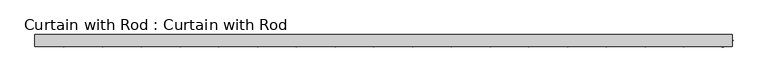
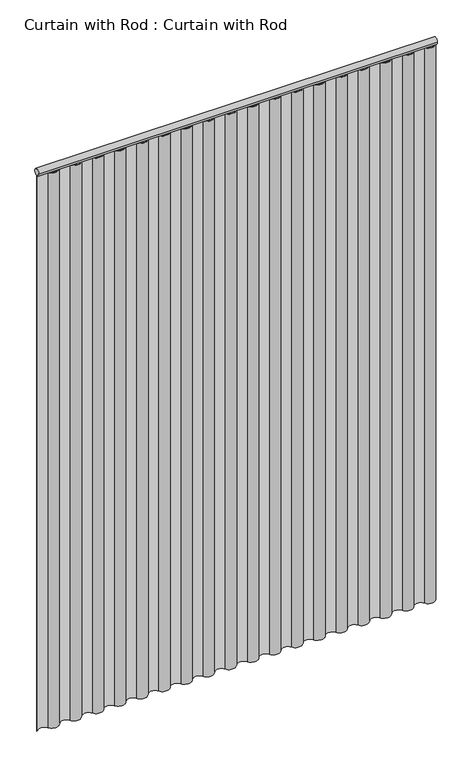
"""IFC4 building model written with IfcOpenShell, lengths in millimetres: proxy geometry, Curtain with Rod : Curtain with Rod."""

from ifc_helpers import new_model, si_unit, point, frame, frame_2d, origin, origin_with_axes, place, context, project, spatial, polyline, circle_curve, trimmed, segment, composite_curve, outline, extrude, source, transform, mapped, element, save


def curtain_with_rod_curtain_with_rod_41e4afb1(model_context):
    return source(origin(), model_context, "Body", "SweptSolid", [
        extrude(outline(composite_curve([segment(trimmed(circle_curve(frame_2d((0.0, 2171.7)), 12.7), [point((-12.7, 2171.7))], [point((12.7, 2171.7))], False, "CARTESIAN"), True, "CONTINUOUS"), segment(trimmed(circle_curve(frame_2d((0.0, 2171.7)), 12.7), [point((12.7, 2171.7))], [point((-12.7, 2171.7))], False, "CARTESIAN"), True, "CONTINUOUS")], self_intersect=False)), frame((-732.63125, 0.0, 0.0), z_axis=(1.0, 0.0, 0.0), x_axis=(0.0, 1.0, 0.0)), (0.0, 0.0, 1.0), 1465.2625),
        extrude(outline(composite_curve([segment(trimmed(circle_curve(frame_2d((-671.5786458, 12.1734801)), 23.7139505), [point((-691.9295139, 0.0))], [point((-651.2277778, 0.0))], True, "CARTESIAN"), True, "CONTINUOUS"), segment(trimmed(circle_curve(frame_2d((-630.8769097, -12.1734801)), 23.7139505), [point((-651.2277778, 0.0))], [point((-610.5260417, 0.0))], False, "CARTESIAN"), True, "CONTINUOUS"), segment(trimmed(circle_curve(frame_2d((-590.1751736, 12.1734801)), 23.7139505), [point((-610.5260417, 0.0))], [point((-569.8243056, 0.0))], True, "CARTESIAN"), True, "CONTINUOUS"), segment(trimmed(circle_curve(frame_2d((-549.4734375, -12.1734801)), 23.7139505), [point((-569.8243056, 0.0))], [point((-529.1225694, 0.0))], False, "CARTESIAN"), True, "CONTINUOUS"), segment(trimmed(circle_curve(frame_2d((-508.7717014, 12.1734801)), 23.7139505), [point((-529.1225694, 0.0))], [point((-488.4208333, 0.0))], True, "CARTESIAN"), True, "CONTINUOUS"), segment(trimmed(circle_curve(frame_2d((-468.0699653, -12.1734801)), 23.7139505), [point((-488.4208333, 0.0))], [point((-447.7190972, 0.0))], False, "CARTESIAN"), True, "CONTINUOUS"), segment(trimmed(circle_curve(frame_2d((-427.3682292, 12.1734801)), 23.7139505), [point((-447.7190972, 0.0))], [point((-407.0173611, 0.0))], True, "CARTESIAN"), True, "CONTINUOUS"), segment(trimmed(circle_curve(frame_2d((-386.6664931, -12.1734801)), 23.7139505), [point((-407.0173611, 0.0))], [point((-366.315625, 0.0))], False, "CARTESIAN"), True, "CONTINUOUS"), segment(trimmed(circle_curve(frame_2d((-345.9647569, 12.1734801)), 23.7139505), [point((-366.315625, 0.0))], [point((-325.6138889, 0.0))], True, "CARTESIAN"), True, "CONTINUOUS"), segment(trimmed(circle_curve(frame_2d((-305.2630208, -12.1734801)), 23.7139505), [point((-325.6138889, 0.0))], [point((-284.9121528, 0.0))], False, "CARTESIAN"), True, "CONTINUOUS"), segment(trimmed(circle_curve(frame_2d((-264.5612847, 12.1734801)), 23.7139505), [point((-284.9121528, 0.0))], [point((-244.2104167, 0.0))], True, "CARTESIAN"), True, "CONTINUOUS"), segment(trimmed(circle_curve(frame_2d((-223.8595486, -12.1734801)), 23.7139505), [point((-244.2104167, 0.0))], [point((-203.5086806, 0.0))], False, "CARTESIAN"), True, "CONTINUOUS"), segment(trimmed(circle_curve(frame_2d((-183.1578125, 12.1734801)), 23.7139505), [point((-203.5086806, 0.0))], [point((-162.8069444, 0.0))], True, "CARTESIAN"), True, "CONTINUOUS"), segment(trimmed(circle_curve(frame_2d((-142.4560764, -12.1734801)), 23.7139505), [point((-162.8069444, 0.0))], [point((-122.1052083, 0.0))], False, "CARTESIAN"), True, "CONTINUOUS"), segment(trimmed(circle_curve(frame_2d((-101.7543403, 12.1734801)), 23.7139505), [point((-122.1052083, 0.0))], [point((-81.4034722, 0.0))], True, "CARTESIAN"), True, "CONTINUOUS"), segment(trimmed(circle_curve(frame_2d((-61.0526042, -12.1734801)), 23.7139505), [point((-81.4034722, 0.0))], [point((-40.7017361, 0.0))], False, "CARTESIAN"), True, "CONTINUOUS"), segment(trimmed(circle_curve(frame_2d((-20.3508681, 12.1734801)), 23.7139505), [point((-40.7017361, 0.0))], [point((0.0, 0.0))], True, "CARTESIAN"), True, "CONTINUOUS"), segment(trimmed(circle_curve(frame_2d((20.3508681, -12.1734801)), 23.7139505), [point((0.0, 0.0))], [point((40.7017361, 0.0))], False, "CARTESIAN"), True, "CONTINUOUS"), segment(trimmed(circle_curve(frame_2d((61.0526042, 12.1734801)), 23.7139505), [point((40.7017361, 0.0))], [point((81.4034722, 0.0))], True, "CARTESIAN"), True, "CONTINUOUS"), segment(trimmed(circle_curve(frame_2d((101.7543403, -12.1734801)), 23.7139505), [point((81.4034722, 0.0))], [point((122.1052083, 0.0))], False, "CARTESIAN"), True, "CONTINUOUS"), segment(trimmed(circle_curve(frame_2d((142.4560764, 12.1734801)), 23.7139505), [point((122.1052083, 0.0))], [point((162.8069444, 0.0))], True, "CARTESIAN"), True, "CONTINUOUS"), segment(trimmed(circle_curve(frame_2d((183.1578125, -12.1734801)), 23.7139505), [point((162.8069444, 0.0))], [point((203.5086806, 0.0))], False, "CARTESIAN"), True, "CONTINUOUS"), segment(trimmed(circle_curve(frame_2d((223.8595486, 12.1734801)), 23.7139505), [point((203.5086806, 0.0))], [point((244.2104167, 0.0))], True, "CARTESIAN"), True, "CONTINUOUS"), segment(trimmed(circle_curve(frame_2d((264.5612847, -12.1734801)), 23.7139505), [point((244.2104167, 0.0))], [point((284.9121528, 0.0))], False, "CARTESIAN"), True, "CONTINUOUS"), segment(trimmed(circle_curve(frame_2d((305.2630208, 12.1734801)), 23.7139505), [point((284.9121528, 0.0))], [point((325.6138889, 0.0))], True, "CARTESIAN"), True, "CONTINUOUS"), segment(trimmed(circle_curve(frame_2d((345.9647569, -12.1734801)), 23.7139505), [point((325.6138889, 0.0))], [point((366.315625, 0.0))], False, "CARTESIAN"), True, "CONTINUOUS"), segment(trimmed(circle_curve(frame_2d((386.6664931, 12.1734801)), 23.7139505), [point((366.315625, 0.0))], [point((407.0173611, 0.0))], True, "CARTESIAN"), True, "CONTINUOUS"), segment(trimmed(circle_curve(frame_2d((427.3682292, -12.1734801)), 23.7139505), [point((407.0173611, 0.0))], [point((447.7190972, 0.0))], False, "CARTESIAN"), True, "CONTINUOUS"), segment(trimmed(circle_curve(frame_2d((468.0699653, 12.1734801)), 23.7139505), [point((447.7190972, 0.0))], [point((488.4208333, 0.0))], True, "CARTESIAN"), True, "CONTINUOUS"), segment(trimmed(circle_curve(frame_2d((508.7717014, -12.1734801)), 23.7139505), [point((488.4208333, 0.0))], [point((529.1225694, 0.0))], False, "CARTESIAN"), True, "CONTINUOUS"), segment(trimmed(circle_curve(frame_2d((549.4734375, 12.1734801)), 23.7139505), [point((529.1225694, 0.0))], [point((569.8243056, 0.0))], True, "CARTESIAN"), True, "CONTINUOUS"), segment(trimmed(circle_curve(frame_2d((590.1751736, -12.1734801)), 23.7139505), [point((569.8243056, 0.0))], [point((610.5260417, 0.0))], False, "CARTESIAN"), True, "CONTINUOUS"), segment(trimmed(circle_curve(frame_2d((630.8769097, 12.1734801)), 23.7139505), [point((610.5260417, 0.0))], [point((651.2277778, 0.0))], True, "CARTESIAN"), True, "CONTINUOUS"), segment(trimmed(circle_curve(frame_2d((671.5786458, -12.1603368)), 23.7072061), [point((651.2277778, 0.0))], [point((691.9295139, 0.0))], False, "CARTESIAN"), True, "CONTINUOUS"), segment(trimmed(circle_curve(frame_2d((712.2803819, 12.2888069)), 23.7733591), [point((691.9295139, 0.0))], [point((732.63125, 0.0))], True, "CARTESIAN"), True, "CONTINUOUS"), segment(polyline([(732.63125, 0.0), (734.4622994, 0.0)]), True, "CONTINUOUS"), segment(trimmed(circle_curve(frame_2d((712.2803819, 12.2888069)), 25.3584747), [point((734.4622994, 0.0))], [point((690.5413254, -0.7674428))], False, "CARTESIAN"), True, "CONTINUOUS"), segment(trimmed(circle_curve(frame_2d((671.5786458, -12.1603368)), 22.121963), [point((690.5413254, -0.7674428))], [point((652.591291, -0.8086142))], True, "CARTESIAN"), True, "CONTINUOUS"), segment(trimmed(circle_curve(frame_2d((630.8769097, 12.1734801)), 25.2991922), [point((652.591291, -0.8086142))], [point((609.1656169, -0.8137787))], False, "CARTESIAN"), True, "CONTINUOUS"), segment(trimmed(circle_curve(frame_2d((590.1751736, -12.1734801)), 22.1287087), [point((609.1656169, -0.8137787))], [point((571.1847303, -0.8137787))], True, "CARTESIAN"), True, "CONTINUOUS"), segment(trimmed(circle_curve(frame_2d((549.4734375, 12.1734801)), 25.2991922), [point((571.1847303, -0.8137787))], [point((527.7621447, -0.8137787))], False, "CARTESIAN"), True, "CONTINUOUS"), segment(trimmed(circle_curve(frame_2d((508.7717014, -12.1734801)), 22.1287087), [point((527.7621447, -0.8137787))], [point((489.7812581, -0.8137787))], True, "CARTESIAN"), True, "CONTINUOUS"), segment(trimmed(circle_curve(frame_2d((468.0699653, 12.1734801)), 25.2991922), [point((489.7812581, -0.8137787))], [point((446.3586725, -0.8137787))], False, "CARTESIAN"), True, "CONTINUOUS"), segment(trimmed(circle_curve(frame_2d((427.3682292, -12.1734801)), 22.1287087), [point((446.3586725, -0.8137787))], [point((408.3777859, -0.8137787))], True, "CARTESIAN"), True, "CONTINUOUS"), segment(trimmed(circle_curve(frame_2d((386.6664931, 12.1734801)), 25.2991922), [point((408.3777859, -0.8137787))], [point((364.9552002, -0.8137787))], False, "CARTESIAN"), True, "CONTINUOUS"), segment(trimmed(circle_curve(frame_2d((345.9647569, -12.1734801)), 22.1287087), [point((364.9552002, -0.8137787))], [point((326.9743137, -0.8137787))], True, "CARTESIAN"), True, "CONTINUOUS"), segment(trimmed(circle_curve(frame_2d((305.2630208, 12.1734801)), 25.2991922), [point((326.9743137, -0.8137787))], [point((283.551728, -0.8137787))], False, "CARTESIAN"), True, "CONTINUOUS"), segment(trimmed(circle_curve(frame_2d((264.5612847, -12.1734801)), 22.1287087), [point((283.551728, -0.8137787))], [point((245.5708414, -0.8137787))], True, "CARTESIAN"), True, "CONTINUOUS"), segment(trimmed(circle_curve(frame_2d((223.8595486, 12.1734801)), 25.2991922), [point((245.5708414, -0.8137787))], [point((202.1482558, -0.8137787))], False, "CARTESIAN"), True, "CONTINUOUS"), segment(trimmed(circle_curve(frame_2d((183.1578125, -12.1734801)), 22.1287087), [point((202.1482558, -0.8137787))], [point((164.1673692, -0.8137787))], True, "CARTESIAN"), True, "CONTINUOUS"), segment(trimmed(circle_curve(frame_2d((142.4560764, 12.1734801)), 25.2991922), [point((164.1673692, -0.8137787))], [point((120.7447836, -0.8137787))], False, "CARTESIAN"), True, "CONTINUOUS"), segment(trimmed(circle_curve(frame_2d((101.7543403, -12.1734801)), 22.1287087), [point((120.7447836, -0.8137787))], [point((82.763897, -0.8137787))], True, "CARTESIAN"), True, "CONTINUOUS"), segment(trimmed(circle_curve(frame_2d((61.0526042, 12.1734801)), 25.2991922), [point((82.763897, -0.8137787))], [point((39.3413113, -0.8137787))], False, "CARTESIAN"), True, "CONTINUOUS"), segment(trimmed(circle_curve(frame_2d((20.3508681, -12.1734801)), 22.1287087), [point((39.3413113, -0.8137787))], [point((1.3604248, -0.8137787))], True, "CARTESIAN"), True, "CONTINUOUS"), segment(trimmed(circle_curve(frame_2d((-20.3508681, 12.1734801)), 25.2991922), [point((1.3604248, -0.8137787))], [point((-42.0621609, -0.8137787))], False, "CARTESIAN"), True, "CONTINUOUS"), segment(trimmed(circle_curve(frame_2d((-61.0526042, -12.1734801)), 22.1287087), [point((-42.0621609, -0.8137787))], [point((-80.0430475, -0.8137787))], True, "CARTESIAN"), True, "CONTINUOUS"), segment(trimmed(circle_curve(frame_2d((-101.7543403, 12.1734801)), 25.2991922), [point((-80.0430475, -0.8137787))], [point((-123.4656331, -0.8137787))], False, "CARTESIAN"), True, "CONTINUOUS"), segment(trimmed(circle_curve(frame_2d((-142.4560764, -12.1734801)), 22.1287087), [point((-123.4656331, -0.8137787))], [point((-161.4465197, -0.8137787))], True, "CARTESIAN"), True, "CONTINUOUS"), segment(trimmed(circle_curve(frame_2d((-183.1578125, 12.1734801)), 25.2991922), [point((-161.4465197, -0.8137787))], [point((-204.8691053, -0.8137787))], False, "CARTESIAN"), True, "CONTINUOUS"), segment(trimmed(circle_curve(frame_2d((-223.8595486, -12.1734801)), 22.1287087), [point((-204.8691053, -0.8137787))], [point((-242.8499919, -0.8137787))], True, "CARTESIAN"), True, "CONTINUOUS"), segment(trimmed(circle_curve(frame_2d((-264.5612847, 12.1734801)), 25.2991922), [point((-242.8499919, -0.8137787))], [point((-286.2725775, -0.8137787))], False, "CARTESIAN"), True, "CONTINUOUS"), segment(trimmed(circle_curve(frame_2d((-305.2630208, -12.1734801)), 22.1287087), [point((-286.2725775, -0.8137787))], [point((-324.2534641, -0.8137787))], True, "CARTESIAN"), True, "CONTINUOUS"), segment(trimmed(circle_curve(frame_2d((-345.9647569, 12.1734801)), 25.2991922), [point((-324.2534641, -0.8137787))], [point((-367.6760498, -0.8137787))], False, "CARTESIAN"), True, "CONTINUOUS"), segment(trimmed(circle_curve(frame_2d((-386.6664931, -12.1734801)), 22.1287087), [point((-367.6760498, -0.8137787))], [point((-405.6569363, -0.8137787))], True, "CARTESIAN"), True, "CONTINUOUS"), segment(trimmed(circle_curve(frame_2d((-427.3682292, 12.1734801)), 25.2991922), [point((-405.6569363, -0.8137787))], [point((-449.079522, -0.8137787))], False, "CARTESIAN"), True, "CONTINUOUS"), segment(trimmed(circle_curve(frame_2d((-468.0699653, -12.1734801)), 22.1287087), [point((-449.079522, -0.8137787))], [point((-487.0604086, -0.8137787))], True, "CARTESIAN"), True, "CONTINUOUS"), segment(trimmed(circle_curve(frame_2d((-508.7717014, 12.1734801)), 25.2991922), [point((-487.0604086, -0.8137787))], [point((-530.4829942, -0.8137787))], False, "CARTESIAN"), True, "CONTINUOUS"), segment(trimmed(circle_curve(frame_2d((-549.4734375, -12.1734801)), 22.1287087), [point((-530.4829942, -0.8137787))], [point((-568.4638808, -0.8137787))], True, "CARTESIAN"), True, "CONTINUOUS"), segment(trimmed(circle_curve(frame_2d((-590.1751736, 12.1734801)), 25.2991922), [point((-568.4638808, -0.8137787))], [point((-611.8864664, -0.8137787))], False, "CARTESIAN"), True, "CONTINUOUS"), segment(trimmed(circle_curve(frame_2d((-630.8769097, -12.1734801)), 22.1287087), [point((-611.8864664, -0.8137787))], [point((-649.867353, -0.8137787))], True, "CARTESIAN"), True, "CONTINUOUS"), segment(trimmed(circle_curve(frame_2d((-671.5786458, 12.1734801)), 25.2991922), [point((-649.867353, -0.8137787))], [point((-693.2910218, -0.8119678))], False, "CARTESIAN"), True, "CONTINUOUS"), segment(trimmed(circle_curve(frame_2d((-712.2803819, -12.0568724)), 22.0690661), [point((-693.2910218, -0.8119678))], [point((-730.7648485, 0.0))], True, "CARTESIAN"), True, "CONTINUOUS"), segment(polyline([(-730.7648485, 0.0), (-732.63125, 0.0)]), True, "CONTINUOUS"), segment(trimmed(circle_curve(frame_2d((-712.2803819, -12.0568724)), 23.654302), [point((-732.63125, 0.0))], [point((-691.9295139, 0.0))], False, "CARTESIAN"), True, "CONTINUOUS")], self_intersect=False)), origin_with_axes(), (0.0, 0.0, 1.0), 2159.0),
    ])


if __name__ == "__main__":
    model = new_model("IFC4")
    model_context = context("Model", 3, world=origin())
    ifc_project = project(units=[si_unit("LENGTHUNIT", "METRE", prefix="MILLI")], contexts=[model_context])
    site = spatial("IfcSite", under=ifc_project)
    building = spatial("IfcBuilding", under=site)
    placement = place(None, origin())
    curtain_with_rod_curtain_with_rod_shape = curtain_with_rod_curtain_with_rod_41e4afb1(model_context)
    element("IfcBuildingElementProxy", 1, Name="Curtain with Rod : Curtain with Rod", ObjectType="Curtain with Rod : Curtain with Rod", at=placement, inside=building, context=model_context, shape_type="MappedRepresentation", body=[
        mapped(curtain_with_rod_curtain_with_rod_shape, transform((0.0, 0.0, 0.0), x_axis=(1.0, 0.0, 0.0), y_axis=(0.0, 1.0, 0.0), z_axis=(0.0, 0.0, 1.0))),
    ])
    save(model, "model.ifc")
